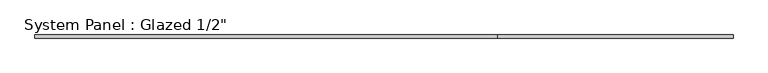
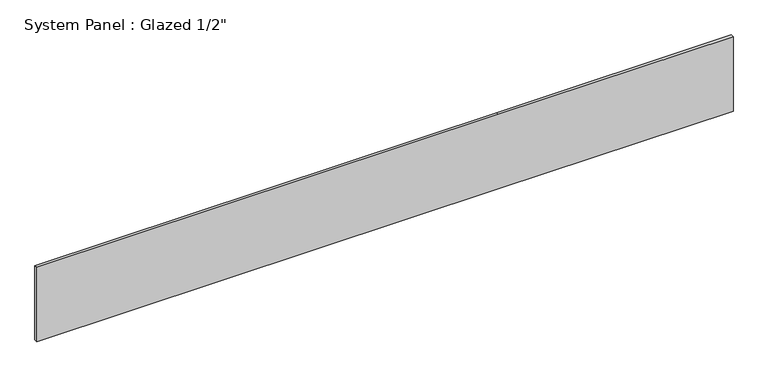
"""IFC4 building model written with IfcOpenShell, lengths in millimetres: plate geometry."""

from ifc_helpers import new_model, si_unit, frame, origin, place, context, project, spatial, polyline, outline, extrude, source, transform, mapped, element, save


def plate_fecf0044(model_context):
    return source(origin(), model_context, "Body", "SweptSolid", [
        extrude(outline(polyline([(0.0, -1403.35), (0.0, 457.2), (0.0, 1403.35), (317.0007219, 1403.35), (317.0007219, 457.2), (317.0007219, -1403.35), (0.0, -1403.35)])), frame((0.0, -6.35, 0.0), z_axis=(0.0, 1.0, 0.0), x_axis=(0.0, 0.0, 1.0)), (0.0, 0.0, 1.0), 12.7),
    ])


if __name__ == "__main__":
    model = new_model("IFC4")
    model_context = context("Model", 3, world=origin())
    ifc_project = project(units=[si_unit("LENGTHUNIT", "METRE", prefix="MILLI")], contexts=[model_context])
    site = spatial("IfcSite", under=ifc_project)
    building = spatial("IfcBuilding", under=site)
    placement = place(None, origin())
    plate_shape = plate_fecf0044(model_context)
    element("IfcPlate", 1, ObjectType="System Panel : Glazed 1/2\"", at=placement, inside=building, context=model_context, shape_type="MappedRepresentation", body=[
        mapped(plate_shape, transform((0.0, 0.0, 0.0), x_axis=(1.0, 0.0, 0.0), y_axis=(0.0, 1.0, 0.0), z_axis=(0.0, 0.0, 1.0))),
    ])
    save(model, "model.ifc")
